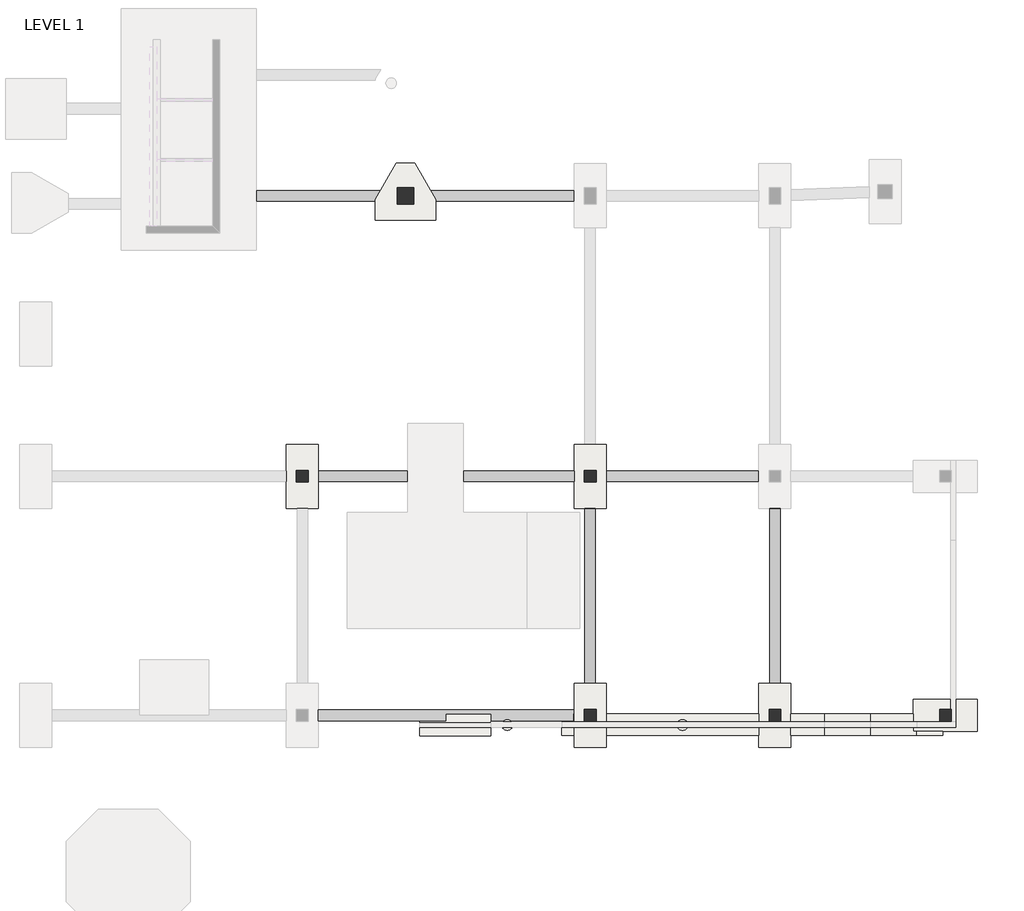
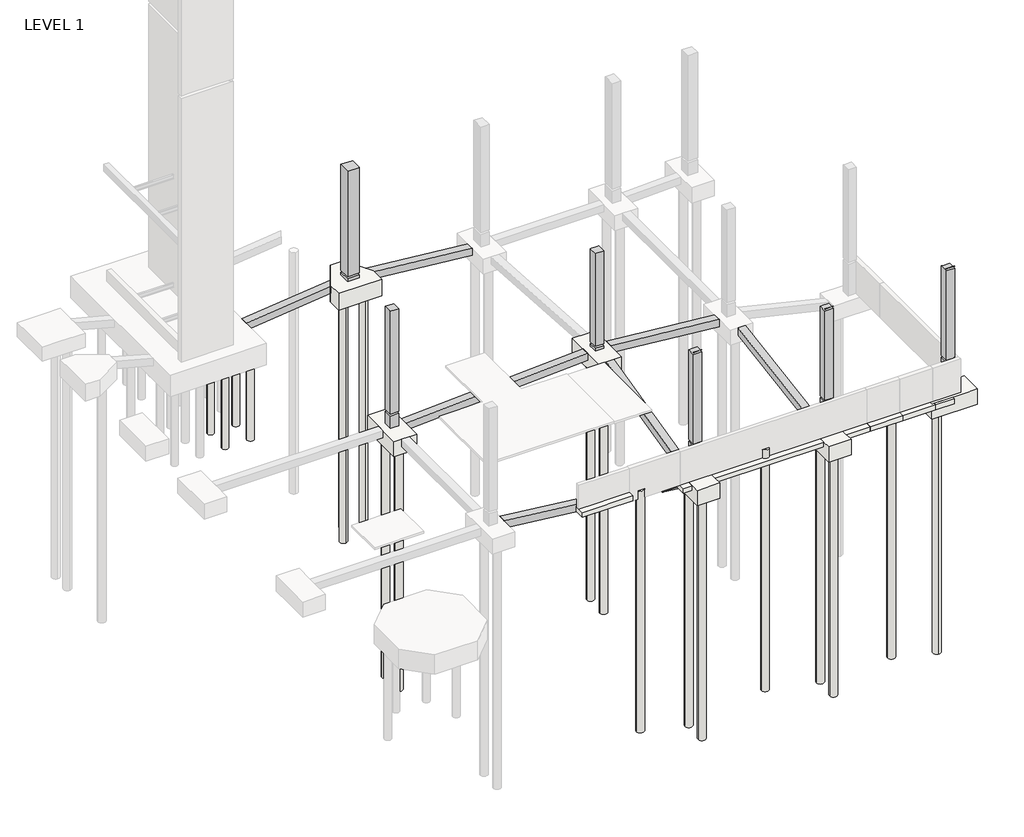
# One storey, part 7 of 20: 25 slabs, 7 beams, 6 columns, 5 footings.
"""IFC4 building model written with IfcOpenShell, lengths in millimetres."""

from ifc_helpers import new_model, si_unit, point, frame, frame_2d, origin, place, context, project, spatial, polyline, circle_curve, ellipse_curve, trimmed, segment, composite_curve, outline, extrude, faceted_brep, element, save
from ifc_brep_helpers import plane_surface, revolved_surface, advanced_brep

model = new_model("IFC4")

# Units and contexts
model_context = context("Model", 3, world=origin())
ifc_project = project(units=[si_unit("LENGTHUNIT", "METRE", prefix="MILLI")], contexts=[model_context])

# Site, building, storey
site = spatial("IfcSite", under=ifc_project)
building = spatial("IfcBuilding", under=site)
storey = spatial("IfcBuildingStorey", under=building, Name="LEVEL 1", Elevation=0.0)

# Beams
placement = place(None, origin())
element("IfcBeam", 1, ObjectType="Concrete-Rectangular Beam", at=placement, inside=storey, context=model_context, shape_type="AdvancedBrep", body=[
    advanced_brep(
    [(36841.0195091, -55707.5107149, -914.4), (36841.0195091, -55250.3107149, -914.4), (36840.0389942, -55250.3107149, -923.2011619), (36840.0389942, -55707.5107149, -923.2011619), (42312.8261679, -55707.5107149, -1524.0), (42312.8261679, -55434.4607149, -1524.0), (44234.6139942, -55434.4607149, -1738.1014718), (44234.6139942, -55707.5107149, -1738.1014718), (44807.188865, -55707.5107149, -1801.8905753), (45078.0891234, -55707.5107149, -1832.0708809), (47784.6328266, -55707.5107149, -2133.6), (47784.6328266, -55421.7607149, -2133.6), (47812.8389942, -55421.7607149, -2136.7423771), (47812.8389942, -55250.3107149, -2136.7423771), (47812.8389942, -55707.5107149, -2596.7709235), (47812.8389942, -55707.5107149, -2438.4), (46391.2919573, -55707.5107149, -2438.4), (36840.0389942, -55707.5107149, -1374.3193098), (36840.0389942, -55250.3107149, -1374.3193098), (47812.8389942, -55250.3107149, -2596.7709235), (46391.2919573, -55421.7607149, -2438.4), (44234.6139942, -55421.7607149, -2198.1300182), (44234.6139942, -55707.5107149, -2198.1300182), (44807.188865, -55707.5107149, -2133.6), (45078.0891234, -55707.5107149, -2133.6), (44234.6139942, -55434.4607149, -1828.8), (44234.6139942, -55707.5107149, -1828.8), (41186.6139942, -55434.4607149, -1828.8), (41186.6139942, -55434.4607149, -1524.0), (41186.6139942, -55707.5107149, -1524.0), (41186.6139942, -55707.5107149, -1828.8), (44234.6139942, -55707.5107149, -2133.6), (47812.8389942, -55421.7607149, -2438.4), (44234.6139942, -55421.7607149, -2133.6), (47282.6139942, -55421.7607149, -2133.6), (47282.6139942, -55421.7607149, -2438.4)],
    [
        (0, 1),
        (1, 2),
        (2, 3),
        (3, 0),
        (0, 4),
        (4, 5),
        (5, 6),
        (6, 7),
        (7, 8),
        (8, 9, ellipse_curve(frame((44942.6389942, -55891.6607149, -1816.9807281), z_axis=(-0.11072244168742305, 0.0, -0.9938513676132741), x_axis=(-0.993851367613274, 0.0, 0.11072244168742296)), 230.0142732, 228.6)),
        (9, 10),
        (10, 11),
        (11, 12),
        (12, 13),
        (13, 1),
        (14, 15),
        (15, 16),
        (16, 14),
        (17, 18),
        (18, 19),
        (19, 14),
        (16, 20),
        (20, 21),
        (21, 22),
        (22, 17),
        (18, 2),
        (13, 19),
        (17, 3),
        (8, 23),
        (23, 24, circle_curve(frame((44942.6389942, -55891.6607149, -2133.6), z_axis=(0.0, 0.0, -1.0), x_axis=(1.0, 0.0, 0.0)), 228.6)),
        (24, 9),
        (6, 25),
        (25, 26),
        (26, 7),
        (27, 28),
        (28, 29),
        (29, 30),
        (30, 27),
        (28, 5),
        (4, 29),
        (25, 27),
        (30, 26),
        (22, 31),
        (31, 23),
        (12, 32),
        (32, 15),
        (10, 24),
        (31, 33),
        (33, 34),
        (34, 11),
        (32, 35),
        (35, 20),
        (33, 21),
    ],
    [
        plane_surface(frame((36815.708359, -55478.9107149, -1141.5944226), z_axis=(-0.9938513676132741, 0.0, 0.11072244168742301), x_axis=(0.11072244168742301, 0.0, 0.9938513676132741))),
        plane_surface(frame((47898.6287987, -55250.3107149, -2146.3), z_axis=(0.11072244168742305, 0.0, 0.9938513676132741), x_axis=(-0.9938513676132741, 0.0, 0.11072244168742305))),
        plane_surface(frame((47898.6287987, -55707.5107149, -2146.3), z_axis=(0.0, -1.0, 0.0), x_axis=(-0.9938513676132741, 0.0, 0.11072244168742305))),
        plane_surface(frame((47848.0064983, -55707.5107149, -2600.6888453), z_axis=(-0.11072244168742305, 0.0, -0.9938513676132741), x_axis=(-0.9938513676132741, 0.0, 0.11072244168742305))),
        plane_surface(frame((47848.0064983, -55250.3107149, -2600.6888453), z_axis=(0.0, 1.0, 0.0), x_axis=(-0.9938513676132741, 0.0, 0.11072244168742305))),
        plane_surface(frame((36840.0389942, -56850.5107149, -914.4), z_axis=(-1.0, 0.0, 0.0), x_axis=(0.0, 0.0, -1.0))),
        revolved_surface(polyline([(45171.2389942, -55891.6607149, -1791.5129861483383), (45171.2389942, -55891.6607149, -2133.6000000000004)]), (44942.6389942, -55891.6607149, -16992.6), (0.0, 0.0, 1.0)),
        plane_surface(frame((44234.6139942, -55891.6607149, -2073.4860144), z_axis=(-1.0, 0.0, 0.0), x_axis=(0.0, -1.0, 0.0))),
        plane_surface(frame((41186.6139942, -55891.6607149, -2073.4860144), z_axis=(1.0, 0.0, 0.0), x_axis=(0.0, -1.0, 0.0))),
        plane_surface(frame((44234.6139942, -55891.6607149, -1524.0), z_axis=(0.0, 0.0, -1.0), x_axis=(-1.0, 0.0, 0.0))),
        plane_surface(frame((44234.6139942, -56348.8607149, -1828.8), z_axis=(0.0, 0.0, 1.0), x_axis=(-1.0, 0.0, 0.0))),
        plane_surface(frame((44234.6139942, -55434.4607149, -1828.8), z_axis=(0.0, -1.0, 0.0), x_axis=(-1.0, 0.0, 0.0))),
        plane_surface(frame((47812.8389942, -54107.3107149, -2133.6), z_axis=(1.0, 0.0, 0.0), x_axis=(0.0, 0.0, -1.0))),
        plane_surface(frame((58541.1639942, -55878.9607149, -2133.6), z_axis=(0.0, 0.0, -1.0), x_axis=(-1.0, 0.0, 0.0))),
        plane_surface(frame((58541.1639942, -56336.1607149, -2438.4), z_axis=(0.0, 0.0, 1.0), x_axis=(-1.0, 0.0, 0.0))),
        plane_surface(frame((58541.1639942, -55421.7607149, -2438.4), z_axis=(0.0, -1.0, 0.0), x_axis=(-1.0, 0.0, 0.0))),
        plane_surface(frame((44234.6139942, -55878.9607149, -2683.0860144), z_axis=(1.0, 0.0, 0.0), x_axis=(0.0, -1.0, 0.0))),
    ],
    [
        (0, [[1, 2, 3, 4]]),
        (1, [[-1, 5, 6, 7, 8, 9, 10, 11, 12, 13, 14, 15]]),
        (2, [[16, 17, 18]]),
        (3, [[19, 20, 21, -18, 22, 23, 24, 25]]),
        (4, [[26, -2, -15, 27, -20]]),
        (5, [[28, -3, -26, -19]]),
        (6, [[-10, 29, 30, 31]]),
        (7, [[32, 33, 34, -8]]),
        (8, [[35, 36, 37, 38]]),
        (9, [[-36, 39, -6, 40]]),
        (10, [[41, -38, 42, -33]]),
        (11, [[-35, -41, -32, -7, -39]]),
        (2, [[-28, -25, 43, 44, -29, -9, -34, -42, -37, -40, -5, -4]]),
        (12, [[-21, -27, -14, 45, 46, -16]]),
        (13, [[-12, 47, -30, -44, 48, 49, 50]]),
        (14, [[-22, -17, -46, 51, 52]]),
        (15, [[-50, -49, 53, -23, -52, -51, -45, -13]]),
        (16, [[-53, -48, -43, -24]]),
        (2, [[-47, -11, -31]]),
    ],
),
])
element("IfcBeam", 2, ObjectType="Concrete-Rectangular Beam", at=placement, inside=storey, context=model_context, shape_type="SweptSolid", body=[
    extrude(outline(polyline([(-304.8, 49190.8586828), (-373.6016457, 49184.4389942), (-763.3869286, 49184.4389942), (-1374.8476474, 55737.6389942), (-915.6617157, 55737.6389942), (-304.8, 49190.8586828)])), frame((0.0, -45445.9107149, 0.0), z_axis=(0.0, 1.0, 0.0), x_axis=(0.0, 0.0, 1.0)), (0.0, 0.0, 1.0), 457.2),
])
element("IfcBeam", 3, ObjectType="Concrete-Rectangular Beam", at=placement, inside=storey, context=model_context, shape_type="SweptSolid", body=[
    extrude(outline(polyline([(-46588.9107149, -315.9548624), (-46588.9107149, -774.749601), (-54082.2691915, -2603.1685819), (-54107.3107149, -2500.5416051), (-54107.3107149, -2138.6651001), (-46591.6325602, -304.8), (-46588.9107149, -315.9548624)])), frame((48270.0389942, 0.0, 0.0), z_axis=(1.0, 0.0, 0.0), x_axis=(0.0, 1.0, 0.0)), (0.0, 0.0, 1.0), 457.2),
])
element("IfcBeam", 4, ObjectType="Concrete-Rectangular Beam", at=placement, inside=storey, context=model_context, shape_type="SweptSolid", body=[
    extrude(outline(polyline([(-46591.6325602, -914.4), (-46588.9107149, -931.1258924), (-46588.9107149, -1377.171261), (-54088.2922004, -2597.5638925), (-54107.3107149, -2480.6940489), (-54107.3107149, -2137.4446282), (-46591.6325602, -914.4)])), frame((56194.8389942, 0.0, 0.0), z_axis=(1.0, 0.0, 0.0), x_axis=(0.0, 1.0, 0.0)), (0.0, 0.0, 1.0), 457.2),
])
element("IfcBeam", 5, ObjectType="Concrete-Rectangular Beam", at=placement, inside=storey, context=model_context, shape_type="SweptSolid", body=[
    extrude(outline(polyline([(-762.5964998, 47812.8389942), (-343.8627437, 47812.8389942), (-304.8, 47810.6465597), (-920.5360297, 36840.0389942), (-1378.455582, 36840.0389942), (-762.5964998, 47812.8389942)])), frame((0.0, -45445.9107149, 0.0), z_axis=(0.0, 1.0, 0.0), x_axis=(0.0, 0.0, 1.0)), (0.0, 0.0, 1.0), 457.2),
])
element("IfcBeam", 6, ObjectType="Concrete-Rectangular Beam", at=placement, inside=storey, context=model_context, shape_type="Brep", body=[
    faceted_brep([(41869.2389942, -33346.5894738, -328.9145781), (41869.2389942, -33406.3107149, -328.9145781), (47812.8389942, -33406.3107149, -915.7315875), (47812.8389942, -32949.1107149, -915.7315875), (41640.0620522, -32949.1107149, -306.2877311), (41869.2389942, -33406.3107149, -788.3375192), (47812.8389942, -33406.3107149, -1375.1545286), (41869.2389942, -33346.5894738, -788.3375192), (41640.0620522, -32949.1107149, -765.7106722), (47812.8389942, -32949.1107149, -1375.1545286)], [[[0, 1, 2, 3, 4]], [[1, 5, 6, 2]], [[5, 7, 8, 9, 6]], [[8, 4, 3, 9]], [[1, 0, 7, 5]], [[0, 4, 8, 7]], [[3, 2, 6, 9]]]),
])
element("IfcBeam", 7, ObjectType="Concrete-Rectangular Beam", at=placement, inside=storey, context=model_context, shape_type="Brep", body=[
    faceted_brep([(39278.4389942, -33346.5894738, -333.0129051), (39507.6159362, -32949.1107149, -306.6988472), (34173.0389942, -32949.1107149, -919.2140739), (34173.0389942, -33406.3107149, -919.2140739), (39278.4389942, -33406.3107149, -333.0129051), (39278.4389942, -33406.3107149, -793.2168065), (34173.0389942, -33406.3107149, -1379.4179753), (39507.6159362, -32949.1107149, -766.9027486), (39278.4389942, -33346.5894738, -793.2168065), (34173.0389942, -32949.1107149, -1379.4179753)], [[[0, 1, 2, 3, 4]], [[5, 4, 3, 6]], [[7, 8, 5, 6, 9]], [[1, 7, 9, 2]], [[1, 0, 8, 7]], [[0, 4, 5, 8]], [[3, 2, 9, 6]]]),
])

# Columns
element("IfcColumn", 8, ObjectType="UC Concrete-Rectangular-Column : 20 x 20", at=placement, inside=storey, context=model_context, shape_type="Brep", body=[
    faceted_brep([(36408.2389942, -44963.3107149, -914.4), (36408.2389942, -45471.3107149, -914.4), (35900.2389942, -45471.3107149, -914.4), (35900.2389942, -44963.3107149, -914.4), (36408.2389942, -45471.3107149, -127.0), (36408.2389942, -44963.3107149, -127.0), (35900.2389942, -44963.3107149, -127.0), (35900.2389942, -45471.3107149, -127.0)], [[[0, 1, 2, 3]], [[4, 5, 6, 7]], [[1, 0, 5, 4]], [[2, 1, 4, 7]], [[3, 2, 7, 6]], [[0, 3, 6, 5]]]),
    faceted_brep([(36408.2389942, -44963.3107149, 6553.2), (36408.2389942, -45471.3107149, 6553.2), (36408.2389942, -45471.3107149, 5537.2), (36408.2389942, -45471.3107149, 4521.2), (36408.2389942, -45471.3107149, 0.0), (36408.2389942, -44963.3107149, 0.0), (36408.2389942, -44963.3107149, 4521.2), (36408.2389942, -44963.3107149, 5537.2), (35900.2389942, -45471.3107149, 6553.2), (35900.2389942, -45471.3107149, 5537.2), (35900.2389942, -45471.3107149, 4521.2), (35900.2389942, -45471.3107149, 0.0), (35900.2389942, -44963.3107149, 6553.2), (35900.2389942, -44963.3107149, 5537.2), (35900.2389942, -44963.3107149, 4521.2), (35900.2389942, -44963.3107149, 0.0)], [[[0, 1, 2, 3, 4, 5, 6, 7]], [[1, 8, 9, 10, 11, 4, 3, 2]], [[8, 12, 13, 14, 15, 11, 10, 9]], [[12, 0, 7, 6, 5, 15, 14, 13]], [[1, 0, 12, 8]], [[5, 4, 11, 15]]]),
])
element("IfcColumn", 9, ObjectType="UC Concrete-Rectangular-Column : 20 x 20", at=placement, inside=storey, context=model_context, shape_type="Brep", body=[
    faceted_brep([(48752.6389942, -55224.9107149, -2133.6), (48752.6389942, -55732.9107149, -2133.6), (48244.6389942, -55732.9107149, -2133.6), (48244.6389942, -55224.9107149, -2133.6), (48752.6389942, -55224.9107149, -127.0), (48244.6389942, -55224.9107149, -127.0), (48244.6389942, -55732.9107149, -127.0), (48752.6389942, -55732.9107149, -127.0)], [[[0, 1, 2, 3]], [[4, 5, 6, 7]], [[0, 3, 5, 4]], [[1, 0, 4, 7]], [[2, 1, 7, 6]], [[3, 2, 6, 5]]]),
    faceted_brep([(48752.6389942, -55732.9107149, 5815.8174434), (48752.6389942, -55695.2378198, 5816.6), (48752.6389942, -55732.9107149, 5816.6), (48244.6389942, -55732.9107149, 5816.6), (48244.6389942, -55732.9107149, 5815.8174434), (48244.6389942, -55695.2378198, 5816.6)], [[[0, 1, 2]], [[2, 3, 4, 0]], [[5, 4, 3]], [[3, 2, 1, 5]], [[1, 0, 4, 5]]]),
    faceted_brep([(48244.6389942, -55224.9107149, 5699.3424283), (48498.6389942, -55224.9107149, 5699.3424283), (48752.6389942, -55224.9107149, 5699.3424283), (48752.6389942, -55224.9107149, 5181.6), (48752.6389942, -55224.9107149, 0.0), (48244.6389942, -55224.9107149, 0.0), (48244.6389942, -55224.9107149, 5181.6), (48752.6389942, -55732.9107149, 5688.7900465), (48244.6389942, -55732.9107149, 5688.7900465), (48498.6389942, -55732.9107149, 5688.7900465), (48752.6389942, -55732.9107149, 5181.6), (48752.6389942, -55732.9107149, 0.0), (48244.6389942, -55732.9107149, 5181.6), (48244.6389942, -55732.9107149, 0.0)], [[[0, 1, 2, 3, 4, 5, 6]], [[7, 2, 1, 0, 8, 9]], [[2, 7, 10, 11, 4, 3]], [[7, 9, 8, 12, 13, 11, 10]], [[8, 0, 6, 5, 13, 12]], [[5, 4, 11, 13]]]),
])
element("IfcColumn", 10, ObjectType="UC Concrete-Rectangular-Column : 20 x 20", at=placement, inside=storey, context=model_context, shape_type="Brep", body=[
    faceted_brep([(48752.6389942, -44963.3107149, -304.8), (48752.6389942, -45471.3107149, -304.8), (48244.6389942, -45471.3107149, -304.8), (48244.6389942, -44963.3107149, -304.8), (48752.6389942, -45471.3107149, -127.0), (48752.6389942, -44963.3107149, -127.0), (48244.6389942, -44963.3107149, -127.0), (48244.6389942, -45471.3107149, -127.0)], [[[0, 1, 2, 3]], [[4, 5, 6, 7]], [[1, 0, 5, 4]], [[2, 1, 4, 7]], [[3, 2, 7, 6]], [[0, 3, 6, 5]]]),
    faceted_brep([(48752.6389942, -44963.3107149, 5912.5005398), (48752.6389942, -45471.3107149, 5901.9481581), (48752.6389942, -45471.3107149, 5283.2), (48752.6389942, -45471.3107149, 0.0), (48752.6389942, -44963.3107149, 0.0), (48752.6389942, -44963.3107149, 5283.2), (48701.8389942, -45471.3107149, 5901.9481581), (48295.4389942, -45471.3107149, 5901.9481581), (48244.6389942, -45471.3107149, 5901.9481581), (48244.6389942, -45471.3107149, 4521.2), (48244.6389942, -45471.3107149, 0.0), (48244.6389942, -44963.3107149, 5912.5005398), (48244.6389942, -44963.3107149, 4521.2), (48244.6389942, -44963.3107149, 0.0), (48295.4389942, -44963.3107149, 5912.5005398), (48701.8389942, -44963.3107149, 5912.5005398)], [[[0, 1, 2, 3, 4, 5]], [[1, 6, 7, 8, 9, 10, 3, 2]], [[8, 11, 12, 13, 10, 9]], [[11, 14, 15, 0, 5, 4, 13, 12]], [[1, 0, 15, 14, 11, 8, 7, 6]], [[4, 3, 10, 13]]]),
])
element("IfcColumn", 11, ObjectType="UC Concrete-Rectangular-Column : 20 x 20", at=placement, inside=storey, context=model_context, shape_type="Brep", body=[
    faceted_brep([(63484.6389942, -55732.9107149, -2133.6), (63484.6389942, -55224.9107149, -2133.6), (63960.8889942, -55224.9107149, -2133.6), (63960.8889942, -55732.9107149, -2133.6), (63484.6389942, -55224.9107149, -127.0), (63484.6389942, -55732.9107149, -127.0), (63960.8889942, -55732.9107149, -127.0), (63960.8889942, -55224.9107149, -127.0)], [[[0, 1, 2, 3]], [[4, 5, 6, 7]], [[1, 4, 7, 2]], [[3, 2, 7, 6]], [[5, 0, 3, 6]], [[1, 0, 5, 4]]]),
    faceted_brep([(63992.6389942, -55732.9107149, 5816.6), (63992.6389942, -55732.9107149, 5815.8174434), (63992.6389942, -55695.2378198, 5816.6), (63484.6389942, -55732.9107149, 5816.6), (63484.6389942, -55732.9107149, 5815.8174434), (63484.6389942, -55695.2378198, 5816.6)], [[[0, 1, 2]], [[0, 3, 4, 1]], [[5, 4, 3]], [[3, 0, 2, 5]], [[4, 5, 2, 1]]]),
    faceted_brep([(63484.6389942, -55224.9107149, 5699.3424283), (63569.8371504, -55224.9107149, 5699.3424283), (63992.6389942, -55224.9107149, 5699.3424283), (63992.6389942, -55224.9107149, 0.0), (63960.8889942, -55224.9107149, 0.0), (63484.6389942, -55224.9107149, 0.0), (63484.6389942, -55224.9107149, 5181.6), (63484.6389942, -55732.9107149, 5688.7900465), (63902.0643657, -55732.9107149, 5688.7900465), (63992.6389942, -55732.9107149, 5688.7900465), (63992.6389942, -55732.9107149, 0.0), (63960.8889942, -55732.9107149, 0.0), (63484.6389942, -55732.9107149, 0.0), (63484.6389942, -55732.9107149, 5181.6)], [[[0, 1, 2, 3, 4, 5, 6]], [[0, 7, 8, 9, 2, 1]], [[3, 10, 11, 12, 5, 4]], [[2, 9, 10, 3]], [[9, 8, 7, 13, 12, 11, 10]], [[7, 0, 6, 5, 12, 13]]]),
])
element("IfcColumn", 12, ObjectType="UC Concrete-Rectangular-Column : 20 x 20", at=placement, inside=storey, context=model_context, shape_type="Brep", body=[
    faceted_brep([(56677.4389942, -55224.9107149, -2133.6), (56677.4389942, -55732.9107149, -2133.6), (56169.4389942, -55732.9107149, -2133.6), (56169.4389942, -55224.9107149, -2133.6), (56677.4389942, -55224.9107149, -127.0), (56169.4389942, -55224.9107149, -127.0), (56169.4389942, -55732.9107149, -127.0), (56677.4389942, -55732.9107149, -127.0)], [[[0, 1, 2, 3]], [[4, 5, 6, 7]], [[0, 3, 5, 4]], [[1, 0, 4, 7]], [[2, 1, 7, 6]], [[3, 2, 6, 5]]]),
    faceted_brep([(56677.4389942, -55732.9107149, 5815.8174434), (56677.4389942, -55695.2378198, 5816.6), (56677.4389942, -55732.9107149, 5816.6), (56169.4389942, -55732.9107149, 5816.6), (56169.4389942, -55732.9107149, 5815.8174434), (56169.4389942, -55695.2378198, 5816.6)], [[[0, 1, 2]], [[2, 3, 4, 0]], [[5, 4, 3]], [[3, 2, 1, 5]], [[1, 0, 4, 5]]]),
    faceted_brep([(56169.4389942, -55224.9107149, 5699.3424283), (56423.4389942, -55224.9107149, 5699.3424283), (56626.6389942, -55224.9107149, 5699.3424283), (56677.4389942, -55224.9107149, 5699.3424283), (56677.4389942, -55224.9107149, 5181.6), (56677.4389942, -55224.9107149, 0.0), (56169.4389942, -55224.9107149, 0.0), (56169.4389942, -55224.9107149, 5181.6), (56677.4389942, -55732.9107149, 5688.7900465), (56169.4389942, -55732.9107149, 5688.7900465), (56423.4389942, -55732.9107149, 5688.7900465), (56677.4389942, -55732.9107149, 5181.6), (56677.4389942, -55732.9107149, 0.0), (56169.4389942, -55732.9107149, 5181.6), (56169.4389942, -55732.9107149, 0.0)], [[[0, 1, 2, 3, 4, 5, 6, 7]], [[8, 3, 2, 1, 0, 9, 10]], [[3, 8, 11, 12, 5, 4]], [[8, 10, 9, 13, 14, 12, 11]], [[9, 0, 7, 6, 14, 13]], [[6, 5, 12, 14]]]),
])
element("IfcColumn", 13, ObjectType="UC Concrete-Rectangular-Column : 28 x 28", at=placement, inside=storey, context=model_context, shape_type="Brep", body=[
    faceted_brep([(40929.4389942, -32822.1107149, -304.8), (40929.4389942, -33533.3107149, -304.8), (40218.2389942, -33533.3107149, -304.8), (40218.2389942, -32822.1107149, -304.8), (40929.4389942, -33533.3107149, -127.0), (40929.4389942, -32822.1107149, -127.0), (40218.2389942, -32822.1107149, -127.0), (40218.2389942, -33533.3107149, -127.0)], [[[0, 1, 2, 3]], [[4, 5, 6, 7]], [[1, 0, 5, 4]], [[2, 1, 4, 7]], [[3, 2, 7, 6]], [[0, 3, 6, 5]]]),
    faceted_brep([(40929.4389942, -32822.1107149, 6731.0), (40929.4389942, -32828.4607149, 6731.0), (40929.4389942, -33533.3107149, 6731.0), (40929.4389942, -33533.3107149, 5232.4), (40929.4389942, -33533.3107149, 0.0), (40929.4389942, -32822.1107149, 0.0), (40878.6389942, -33533.3107149, 6731.0), (40218.2389942, -33533.3107149, 6731.0), (40218.2389942, -33533.3107149, 0.0), (40218.2389942, -32822.1107149, 6731.0), (40218.2389942, -32822.1107149, 0.0)], [[[0, 1, 2, 3, 4, 5]], [[2, 6, 7, 8, 4, 3]], [[7, 9, 10, 8]], [[9, 0, 5, 10]], [[2, 1, 0, 9, 7, 6]], [[5, 4, 8, 10]]]),
])

# Footings
element("IfcFooting", 14, ObjectType="Bearing Footing - 36\" x 12\"", at=placement, inside=storey, context=model_context, shape_type="SolidModel", body=[
    faceted_brep([(58541.1639942, -56336.1607149, -2133.6), (58541.1639942, -56336.1607149, -2438.4), (58541.1639942, -55421.7607149, -2438.4), (58541.1639942, -55421.7607149, -2133.6), (57109.2389942, -55421.7607149, -2133.6), (57109.2389942, -56336.1607149, -2133.6), (57109.2389942, -56336.1607149, -2438.4), (57109.2389942, -55421.7607149, -2438.4)], [[[0, 1, 2, 3]], [[0, 3, 4, 5]], [[1, 0, 5, 6]], [[2, 1, 6, 7]], [[3, 2, 7, 4]], [[5, 4, 7, 6]]]),
    faceted_brep([(47282.6139942, -56336.1607149, -2438.4), (47282.6139942, -56336.1607149, -2133.6), (47282.6139942, -55421.7607149, -2133.6), (47282.6139942, -55421.7607149, -2438.4), (47812.8389942, -56336.1607149, -2133.6), (47812.8389942, -55421.7607149, -2133.6), (47784.6328266, -55421.7607149, -2133.6), (47812.8389942, -56336.1607149, -2438.4), (47812.8389942, -55421.7607149, -2438.4), (47812.8389942, -55707.5107149, -2438.4), (47812.8389942, -55421.7607149, -2136.7423771)], [[[0, 1, 2, 3]], [[2, 1, 4, 5, 6]], [[1, 0, 7, 4]], [[0, 3, 8, 9, 7]], [[3, 2, 6, 5, 10, 8]], [[5, 4, 7, 9, 8, 10]]]),
    advanced_brep(
    [(55737.6389942, -56336.1607149, -2133.6), (55737.6389942, -55421.7607149, -2133.6), (49184.4389942, -55421.7607149, -2133.6), (49184.4389942, -56336.1607149, -2133.6), (52689.6389942, -55891.6607149, -2133.6), (52232.4389942, -55891.6607149, -2133.6), (55737.6389942, -56336.1607149, -2438.4), (49184.4389942, -56336.1607149, -2438.4), (55737.6389942, -55421.7607149, -2438.4), (49184.4389942, -55421.7607149, -2438.4), (52232.4389942, -55891.6607149, -2438.4), (52689.6389942, -55891.6607149, -2438.4)],
    [
        (0, 1),
        (1, 2),
        (2, 3),
        (3, 0),
        (4, 5, circle_curve(frame((52461.0389942, -55891.6607149, -2133.6), z_axis=(0.0, 0.0, -1.0), x_axis=(1.0, 0.0, 0.0)), 228.6)),
        (5, 4, circle_curve(frame((52461.0389942, -55891.6607149, -2133.6), z_axis=(0.0, 0.0, -1.0), x_axis=(1.0, 0.0, 0.0)), 228.6)),
        (6, 0),
        (3, 7),
        (7, 6),
        (8, 6),
        (7, 9),
        (9, 8),
        (10, 11, circle_curve(frame((52461.0389942, -55891.6607149, -2438.4), z_axis=(0.0, 0.0, 1.0), x_axis=(1.0, 0.0, 0.0)), 228.6)),
        (11, 10, circle_curve(frame((52461.0389942, -55891.6607149, -2438.4), z_axis=(0.0, 0.0, 1.0), x_axis=(1.0, 0.0, 0.0)), 228.6)),
        (1, 8),
        (9, 2),
        (10, 5),
        (4, 11),
    ],
    [
        plane_surface(frame((58541.1639942, -55878.9607149, -2133.6), z_axis=(0.0, 0.0, 1.0), x_axis=(-1.0, 0.0, 0.0))),
        plane_surface(frame((58541.1639942, -56336.1607149, -2133.6), z_axis=(0.0, -1.0, 0.0), x_axis=(-1.0, 0.0, 0.0))),
        plane_surface(frame((58541.1639942, -56336.1607149, -2438.4), z_axis=(0.0, 0.0, -1.0), x_axis=(-1.0, 0.0, 0.0))),
        plane_surface(frame((58541.1639942, -55421.7607149, -2438.4), z_axis=(0.0, 1.0, 0.0), x_axis=(-1.0, 0.0, 0.0))),
        plane_surface(frame((55737.6389942, -54107.3107149, -2133.6), z_axis=(1.0, 0.0, 0.0), x_axis=(0.0, 0.0, -1.0))),
        revolved_surface(polyline([(52689.638994199995, -55891.6607149, -2133.6000000000004), (52689.638994199995, -55891.6607149, -2438.3999999999996)]), (52461.0389942, -55891.6607149, -16992.6), (0.0, 0.0, 1.0)),
        plane_surface(frame((49184.4389942, -56850.5107149, -2133.6), z_axis=(-1.0, 0.0, 0.0), x_axis=(0.0, 0.0, -1.0))),
    ],
    [
        (0, [[1, 2, 3, 4], [5, 6]]),
        (1, [[7, -4, 8, 9]]),
        (2, [[10, -9, 11, 12], [13, 14]]),
        (3, [[15, -12, 16, -2]]),
        (4, [[-1, -7, -10, -15]]),
        (5, [[-13, 17, -5, 18]]),
        (5, [[-14, -18, -6, -17]]),
        (6, [[-3, -16, -11, -8]]),
    ],
),
])
element("IfcFooting", 15, ObjectType="Bearing Footing - 36\" x 12\"", at=placement, inside=storey, context=model_context, shape_type="AdvancedBrep", body=[
    advanced_brep(
    [(60522.3639942, -56336.1607149, -2133.6), (60522.3639942, -56336.1607149, -2438.4), (60522.3639942, -55421.7607149, -2438.4), (60522.3639942, -55421.7607149, -2133.6), (58541.1639942, -56336.1607149, -2438.4), (58541.1639942, -56336.1607149, -2133.6), (58541.1639942, -55421.7607149, -2133.6), (58541.1639942, -55421.7607149, -2438.4), (59852.4389942, -55878.9607149, -2438.4), (60309.6389942, -55878.9607149, -2438.4), (60309.6389942, -55878.9607149, -2209.8), (59852.4389942, -55878.9607149, -2209.8)],
    [
        (0, 1),
        (1, 2),
        (2, 3),
        (3, 0),
        (4, 5),
        (5, 6),
        (6, 7),
        (7, 4),
        (5, 0),
        (3, 6),
        (4, 1),
        (7, 2),
        (8, 9, circle_curve(frame((60081.0389942, -55878.9607149, -2438.4), z_axis=(0.0, 0.0, 1.0), x_axis=(1.0, 0.0, 0.0)), 228.6)),
        (9, 8, circle_curve(frame((60081.0389942, -55878.9607149, -2438.4), z_axis=(0.0, 0.0, 1.0), x_axis=(1.0, 0.0, 0.0)), 228.6)),
        (10, 11, circle_curve(frame((60081.0389942, -55878.9607149, -2209.8), z_axis=(0.0, 0.0, -1.0), x_axis=(1.0, 0.0, 0.0)), 228.6)),
        (11, 10, circle_curve(frame((60081.0389942, -55878.9607149, -2209.8), z_axis=(0.0, 0.0, -1.0), x_axis=(1.0, 0.0, 0.0)), 228.6)),
        (10, 9),
        (8, 11),
    ],
    [
        plane_surface(frame((60522.3639942, -55878.9607149, -2683.0860144), z_axis=(1.0, 0.0, 0.0), x_axis=(0.0, -1.0, 0.0))),
        plane_surface(frame((58541.1639942, -55878.9607149, -2683.0860144), z_axis=(-1.0, 0.0, 0.0), x_axis=(0.0, -1.0, 0.0))),
        plane_surface(frame((60522.3639942, -55878.9607149, -2133.6), z_axis=(0.0, 0.0, 1.0), x_axis=(-1.0, 0.0, 0.0))),
        plane_surface(frame((60522.3639942, -56336.1607149, -2133.6), z_axis=(0.0, -1.0, 0.0), x_axis=(-1.0, 0.0, 0.0))),
        plane_surface(frame((60522.3639942, -56336.1607149, -2438.4), z_axis=(0.0, 0.0, -1.0), x_axis=(-1.0, 0.0, 0.0))),
        plane_surface(frame((60522.3639942, -55421.7607149, -2438.4), z_axis=(0.0, 1.0, 0.0), x_axis=(-1.0, 0.0, 0.0))),
        plane_surface(frame((60309.6389942, -55878.9607149, -2209.8), z_axis=(0.0, 0.0, -1.0), x_axis=(0.0, 1.0, 0.0))),
        revolved_surface(polyline([(60309.638994199995, -55878.9607149, -2209.7999999999993), (60309.638994199995, -55878.9607149, -2438.3999999999996)]), (60081.0389942, -55878.9607149, -17602.2), (0.0, 0.0, 1.0)),
    ],
    [
        (0, [[1, 2, 3, 4]]),
        (1, [[5, 6, 7, 8]]),
        (2, [[9, -4, 10, -6]]),
        (3, [[-1, -9, -5, 11]]),
        (4, [[-2, -11, -8, 12], [13, 14]]),
        (5, [[-3, -12, -7, -10]]),
        (6, [[15, 16]]),
        (7, [[-15, 17, -13, 18]]),
        (7, [[-16, -18, -14, -17]]),
    ],
),
])
element("IfcFooting", 16, ObjectType="Bearing Footing - 36\" x 12\"", at=placement, inside=storey, context=model_context, shape_type="SweptSolid", body=[
    extrude(outline(polyline([(60522.3639942, -56336.1607149), (60522.3639942, -55421.7607149), (62367.0389942, -55421.7607149), (62367.0389942, -56164.7107149), (62503.5639942, -56164.7107149), (62503.5639942, -56336.1607149), (60522.3639942, -56336.1607149)])), frame((0.0, 0.0, -2438.4), z_axis=(0.0, 0.0, 1.0), x_axis=(1.0, 0.0, 0.0)), (0.0, 0.0, 1.0), 304.8),
])
element("IfcFooting", 17, ObjectType="Bearing Footing - 36\" x 12\"", at=placement, inside=storey, context=model_context, shape_type="SweptSolid", body=[
    extrude(outline(polyline([(63617.9889942, -56336.1607149), (62503.5639942, -56336.1607149), (62503.5639942, -56164.7107149), (63617.9889942, -56164.7107149), (63617.9889942, -56336.1607149)])), frame((0.0, 0.0, -2438.4), z_axis=(0.0, 0.0, 1.0), x_axis=(1.0, 0.0, 0.0)), (0.0, 0.0, 1.0), 304.8),
])
element("IfcFooting", 18, ObjectType="Bearing Footing - 36\" x 12\"", at=placement, inside=storey, context=model_context, shape_type="Brep", body=[
    faceted_brep([(44234.6139942, -55434.4607149, -1524.0), (44234.6139942, -56348.8607149, -1524.0), (44234.6139942, -56348.8607149, -1828.8), (44234.6139942, -55707.5107149, -1828.8), (44234.6139942, -55434.4607149, -1828.8), (44234.6139942, -55434.4607149, -1738.1014718), (41186.6139942, -56348.8607149, -1524.0), (41186.6139942, -55707.5107149, -1524.0), (41186.6139942, -55434.4607149, -1524.0), (41186.6139942, -55434.4607149, -1828.8), (41186.6139942, -55707.5107149, -1828.8), (41186.6139942, -56348.8607149, -1828.8), (42312.8261679, -55434.4607149, -1524.0)], [[[0, 1, 2, 3, 4, 5]], [[6, 7, 8, 9, 10, 11]], [[0, 12, 8, 7, 6, 1]], [[2, 1, 6, 11]], [[4, 3, 2, 11, 10, 9]], [[0, 5, 4, 9, 8, 12]]]),
])

# Slabs
element("IfcSlab", 19, ObjectType="16\" Diameter", at=placement, inside=storey, context=model_context, shape_type="SweptSolid", body=[
    extrude(outline(composite_curve([segment(trimmed(circle_curve(frame_2d((32039.4389942, -33382.4982149)), 203.2), [point((31836.2389942, -33382.4982149))], [point((32242.6389942, -33382.4982149))], False, "CARTESIAN"), True, "CONTINUOUS"), segment(trimmed(circle_curve(frame_2d((32039.4389942, -33382.4982149)), 203.2), [point((32242.6389942, -33382.4982149))], [point((31836.2389942, -33382.4982149))], False, "CARTESIAN"), True, "CONTINUOUS")], self_intersect=False)), frame((0.0, 0.0, -7162.8), z_axis=(0.0, 0.0, 1.0), x_axis=(1.0, 0.0, 0.0)), (0.0, 0.0, 1.0), 4876.8),
])
element("IfcSlab", 20, ObjectType="16\" Diameter", at=placement, inside=storey, context=model_context, shape_type="SweptSolid", body=[
    extrude(outline(composite_curve([segment(trimmed(circle_curve(frame_2d((33563.4389942, -33382.4982149)), 203.2), [point((33360.2389942, -33382.4982149))], [point((33766.6389942, -33382.4982149))], False, "CARTESIAN"), True, "CONTINUOUS"), segment(trimmed(circle_curve(frame_2d((33563.4389942, -33382.4982149)), 203.2), [point((33766.6389942, -33382.4982149))], [point((33360.2389942, -33382.4982149))], False, "CARTESIAN"), True, "CONTINUOUS")], self_intersect=False)), frame((0.0, 0.0, -7162.8), z_axis=(0.0, 0.0, 1.0), x_axis=(1.0, 0.0, 0.0)), (0.0, 0.0, 1.0), 4876.8),
])
element("IfcSlab", 21, ObjectType="16\" Diameter", at=placement, inside=storey, context=model_context, shape_type="SweptSolid", body=[
    extrude(outline(composite_curve([segment(trimmed(circle_curve(frame_2d((32039.4389942, -34906.4982149)), 203.2), [point((31836.2389942, -34906.4982149))], [point((32242.6389942, -34906.4982149))], False, "CARTESIAN"), True, "CONTINUOUS"), segment(trimmed(circle_curve(frame_2d((32039.4389942, -34906.4982149)), 203.2), [point((32242.6389942, -34906.4982149))], [point((31836.2389942, -34906.4982149))], False, "CARTESIAN"), True, "CONTINUOUS")], self_intersect=False)), frame((0.0, 0.0, -7162.8), z_axis=(0.0, 0.0, 1.0), x_axis=(1.0, 0.0, 0.0)), (0.0, 0.0, 1.0), 4876.8),
])
element("IfcSlab", 22, ObjectType="16\" Diameter", at=placement, inside=storey, context=model_context, shape_type="SweptSolid", body=[
    extrude(outline(composite_curve([segment(trimmed(circle_curve(frame_2d((33563.4389942, -34906.4982149)), 203.2), [point((33360.2389942, -34906.4982149))], [point((33766.6389942, -34906.4982149))], False, "CARTESIAN"), True, "CONTINUOUS"), segment(trimmed(circle_curve(frame_2d((33563.4389942, -34906.4982149)), 203.2), [point((33766.6389942, -34906.4982149))], [point((33360.2389942, -34906.4982149))], False, "CARTESIAN"), True, "CONTINUOUS")], self_intersect=False)), frame((0.0, 0.0, -7162.8), z_axis=(0.0, 0.0, 1.0), x_axis=(1.0, 0.0, 0.0)), (0.0, 0.0, 1.0), 4876.8),
])
element("IfcSlab", 23, ObjectType="18\" Diameter", at=placement, inside=storey, context=model_context, shape_type="SweptSolid", body=[
    extrude(outline(composite_curve([segment(trimmed(circle_curve(frame_2d((48498.6389942, -54793.1107149)), 228.6), [point((48727.2389942, -54793.1107149))], [point((48270.0389942, -54793.1107149))], False, "CARTESIAN"), True, "CONTINUOUS"), segment(trimmed(circle_curve(frame_2d((48498.6389942, -54793.1107149)), 228.6), [point((48270.0389942, -54793.1107149))], [point((48727.2389942, -54793.1107149))], False, "CARTESIAN"), True, "CONTINUOUS")], self_intersect=False)), frame((0.0, 0.0, -18567.4), z_axis=(0.0, 0.0, 1.0), x_axis=(1.0, 0.0, 0.0)), (0.0, 0.0, 1.0), 15392.4),
])
element("IfcSlab", 24, ObjectType="18\" Diameter", at=placement, inside=storey, context=model_context, shape_type="SweptSolid", body=[
    extrude(outline(composite_curve([segment(trimmed(circle_curve(frame_2d((48498.6389942, -56164.7107149)), 228.6), [point((48727.2389942, -56164.7107149))], [point((48270.0389942, -56164.7107149))], False, "CARTESIAN"), True, "CONTINUOUS"), segment(trimmed(circle_curve(frame_2d((48498.6389942, -56164.7107149)), 228.6), [point((48270.0389942, -56164.7107149))], [point((48727.2389942, -56164.7107149))], False, "CARTESIAN"), True, "CONTINUOUS")], self_intersect=False)), frame((0.0, 0.0, -18567.4), z_axis=(0.0, 0.0, 1.0), x_axis=(1.0, 0.0, 0.0)), (0.0, 0.0, 1.0), 15392.4),
])
element("IfcSlab", 25, ObjectType="18\" Diameter", at=placement, inside=storey, context=model_context, shape_type="SweptSolid", body=[
    extrude(outline(composite_curve([segment(trimmed(circle_curve(frame_2d((48498.6389942, -44531.5107149)), 228.6), [point((48727.2389942, -44531.5107149))], [point((48270.0389942, -44531.5107149))], False, "CARTESIAN"), True, "CONTINUOUS"), segment(trimmed(circle_curve(frame_2d((48498.6389942, -44531.5107149)), 228.6), [point((48270.0389942, -44531.5107149))], [point((48727.2389942, -44531.5107149))], False, "CARTESIAN"), True, "CONTINUOUS")], self_intersect=False)), frame((0.0, 0.0, -16738.6), z_axis=(0.0, 0.0, 1.0), x_axis=(1.0, 0.0, 0.0)), (0.0, 0.0, 1.0), 15392.4),
])
element("IfcSlab", 26, ObjectType="18\" Diameter", at=placement, inside=storey, context=model_context, shape_type="SweptSolid", body=[
    extrude(outline(composite_curve([segment(trimmed(circle_curve(frame_2d((48498.6389942, -45903.1107149)), 228.6), [point((48727.2389942, -45903.1107149))], [point((48270.0389942, -45903.1107149))], False, "CARTESIAN"), True, "CONTINUOUS"), segment(trimmed(circle_curve(frame_2d((48498.6389942, -45903.1107149)), 228.6), [point((48270.0389942, -45903.1107149))], [point((48727.2389942, -45903.1107149))], False, "CARTESIAN"), True, "CONTINUOUS")], self_intersect=False)), frame((0.0, 0.0, -16738.6), z_axis=(0.0, 0.0, 1.0), x_axis=(1.0, 0.0, 0.0)), (0.0, 0.0, 1.0), 15392.4),
])
element("IfcSlab", 27, ObjectType="18\" Diameter", at=placement, inside=storey, context=model_context, shape_type="SweptSolid", body=[
    extrude(outline(composite_curve([segment(trimmed(circle_curve(frame_2d((36154.2389942, -44531.5107149)), 228.6), [point((36382.8389942, -44531.5107149))], [point((35925.6389942, -44531.5107149))], False, "CARTESIAN"), True, "CONTINUOUS"), segment(trimmed(circle_curve(frame_2d((36154.2389942, -44531.5107149)), 228.6), [point((35925.6389942, -44531.5107149))], [point((36382.8389942, -44531.5107149))], False, "CARTESIAN"), True, "CONTINUOUS")], self_intersect=False)), frame((0.0, 0.0, -17348.2), z_axis=(0.0, 0.0, 1.0), x_axis=(1.0, 0.0, 0.0)), (0.0, 0.0, 1.0), 15392.4),
])
element("IfcSlab", 28, ObjectType="18\" Diameter", at=placement, inside=storey, context=model_context, shape_type="SweptSolid", body=[
    extrude(outline(composite_curve([segment(trimmed(circle_curve(frame_2d((36154.2389942, -45903.1107149)), 228.6), [point((36382.8389942, -45903.1107149))], [point((35925.6389942, -45903.1107149))], False, "CARTESIAN"), True, "CONTINUOUS"), segment(trimmed(circle_curve(frame_2d((36154.2389942, -45903.1107149)), 228.6), [point((35925.6389942, -45903.1107149))], [point((36382.8389942, -45903.1107149))], False, "CARTESIAN"), True, "CONTINUOUS")], self_intersect=False)), frame((0.0, 0.0, -17348.2), z_axis=(0.0, 0.0, 1.0), x_axis=(1.0, 0.0, 0.0)), (0.0, 0.0, 1.0), 15392.4),
])
element("IfcSlab", 29, ObjectType="18\" Diameter", at=placement, inside=storey, context=model_context, shape_type="SweptSolid", body=[
    extrude(outline(composite_curve([segment(trimmed(circle_curve(frame_2d((40573.8389942, -32472.8607149)), 228.6), [point((40573.8389942, -32701.4607149))], [point((40573.8389942, -32244.2607149))], False, "CARTESIAN"), True, "CONTINUOUS"), segment(trimmed(circle_curve(frame_2d((40573.8389942, -32472.8607149)), 228.6), [point((40573.8389942, -32244.2607149))], [point((40573.8389942, -32701.4607149))], False, "CARTESIAN"), True, "CONTINUOUS")], self_intersect=False)), frame((0.0, 0.0, -16738.6), z_axis=(0.0, 0.0, 1.0), x_axis=(1.0, 0.0, 0.0)), (0.0, 0.0, 1.0), 15367.0),
])
element("IfcSlab", 30, ObjectType="18\" Diameter", at=placement, inside=storey, context=model_context, shape_type="SweptSolid", body=[
    extrude(outline(composite_curve([segment(trimmed(circle_curve(frame_2d((63052.8389942, -55478.9107149)), 228.6), [point((63052.8389942, -55250.3107149))], [point((63052.8389942, -55707.5107149))], False, "CARTESIAN"), True, "CONTINUOUS"), segment(trimmed(circle_curve(frame_2d((63052.8389942, -55478.9107149)), 228.6), [point((63052.8389942, -55707.5107149))], [point((63052.8389942, -55250.3107149))], False, "CARTESIAN"), True, "CONTINUOUS")], self_intersect=False)), frame((0.0, 0.0, -18567.4), z_axis=(0.0, 0.0, 1.0), x_axis=(1.0, 0.0, 0.0)), (0.0, 0.0, 1.0), 15392.4),
])
element("IfcSlab", 31, ObjectType="18\" Diameter", at=placement, inside=storey, context=model_context, shape_type="SweptSolid", body=[
    extrude(outline(composite_curve([segment(trimmed(circle_curve(frame_2d((56423.4389942, -54793.1107149)), 228.6), [point((56652.0389942, -54793.1107149))], [point((56194.8389942, -54793.1107149))], False, "CARTESIAN"), True, "CONTINUOUS"), segment(trimmed(circle_curve(frame_2d((56423.4389942, -54793.1107149)), 228.6), [point((56194.8389942, -54793.1107149))], [point((56652.0389942, -54793.1107149))], False, "CARTESIAN"), True, "CONTINUOUS")], self_intersect=False)), frame((0.0, 0.0, -18567.4), z_axis=(0.0, 0.0, 1.0), x_axis=(1.0, 0.0, 0.0)), (0.0, 0.0, 1.0), 15392.4),
])
element("IfcSlab", 32, ObjectType="18\" Diameter", at=placement, inside=storey, context=model_context, shape_type="SweptSolid", body=[
    extrude(outline(composite_curve([segment(trimmed(circle_curve(frame_2d((56423.4389942, -56164.7107149)), 228.6), [point((56652.0389942, -56164.7107149))], [point((56194.8389942, -56164.7107149))], False, "CARTESIAN"), True, "CONTINUOUS"), segment(trimmed(circle_curve(frame_2d((56423.4389942, -56164.7107149)), 228.6), [point((56194.8389942, -56164.7107149))], [point((56652.0389942, -56164.7107149))], False, "CARTESIAN"), True, "CONTINUOUS")], self_intersect=False)), frame((0.0, 0.0, -18567.4), z_axis=(0.0, 0.0, 1.0), x_axis=(1.0, 0.0, 0.0)), (0.0, 0.0, 1.0), 15392.4),
])
element("IfcSlab", 33, ObjectType="18\" Diameter", at=placement, inside=storey, context=model_context, shape_type="SweptSolid", body=[
    extrude(outline(composite_curve([segment(trimmed(circle_curve(frame_2d((41183.4389942, -33530.1357149)), 228.6), [point((41183.4389942, -33758.7357149))], [point((41183.4389942, -33301.5357149))], False, "CARTESIAN"), True, "CONTINUOUS"), segment(trimmed(circle_curve(frame_2d((41183.4389942, -33530.1357149)), 228.6), [point((41183.4389942, -33301.5357149))], [point((41183.4389942, -33758.7357149))], False, "CARTESIAN"), True, "CONTINUOUS")], self_intersect=False)), frame((0.0, 0.0, -16738.6), z_axis=(0.0, 0.0, 1.0), x_axis=(1.0, 0.0, 0.0)), (0.0, 0.0, 1.0), 15367.0),
])
element("IfcSlab", 34, ObjectType="18\" Diameter", at=placement, inside=storey, context=model_context, shape_type="SweptSolid", body=[
    extrude(outline(composite_curve([segment(trimmed(circle_curve(frame_2d((39964.2389942, -33530.1357149)), 228.6), [point((39964.2389942, -33758.7357149))], [point((39964.2389942, -33301.5357149))], False, "CARTESIAN"), True, "CONTINUOUS"), segment(trimmed(circle_curve(frame_2d((39964.2389942, -33530.1357149)), 228.6), [point((39964.2389942, -33301.5357149))], [point((39964.2389942, -33758.7357149))], False, "CARTESIAN"), True, "CONTINUOUS")], self_intersect=False)), frame((0.0, 0.0, -16738.6), z_axis=(0.0, 0.0, 1.0), x_axis=(1.0, 0.0, 0.0)), (0.0, 0.0, 1.0), 15367.0),
])
element("IfcSlab", 35, ObjectType="18\" Diameter", at=placement, inside=storey, context=model_context, shape_type="SweptSolid", body=[
    extrude(outline(composite_curve([segment(trimmed(circle_curve(frame_2d((44942.6389942, -55891.6607149)), 228.6), [point((44714.0389942, -55891.6607149))], [point((45171.2389942, -55891.6607149))], False, "CARTESIAN"), True, "CONTINUOUS"), segment(trimmed(circle_curve(frame_2d((44942.6389942, -55891.6607149)), 228.6), [point((45171.2389942, -55891.6607149))], [point((44714.0389942, -55891.6607149))], False, "CARTESIAN"), True, "CONTINUOUS")], self_intersect=False)), frame((0.0, 0.0, -16992.6), z_axis=(0.0, 0.0, 1.0), x_axis=(1.0, 0.0, 0.0)), (0.0, 0.0, 1.0), 15392.4),
])
element("IfcSlab", 36, ObjectType="18\" Diameter", at=placement, inside=storey, context=model_context, shape_type="SweptSolid", body=[
    extrude(outline(composite_curve([segment(trimmed(circle_curve(frame_2d((52461.0389942, -55891.6607149)), 228.6), [point((52232.4389942, -55891.6607149))], [point((52689.6389942, -55891.6607149))], False, "CARTESIAN"), True, "CONTINUOUS"), segment(trimmed(circle_curve(frame_2d((52461.0389942, -55891.6607149)), 228.6), [point((52689.6389942, -55891.6607149))], [point((52232.4389942, -55891.6607149))], False, "CARTESIAN"), True, "CONTINUOUS")], self_intersect=False)), frame((0.0, 0.0, -16992.6), z_axis=(0.0, 0.0, 1.0), x_axis=(1.0, 0.0, 0.0)), (0.0, 0.0, 1.0), 15392.4),
])
element("IfcSlab", 37, ObjectType="18\" Diameter", at=placement, inside=storey, context=model_context, shape_type="SweptSolid", body=[
    extrude(outline(composite_curve([segment(trimmed(circle_curve(frame_2d((60081.0389942, -55878.9607149)), 228.6), [point((59852.4389942, -55878.9607149))], [point((60309.6389942, -55878.9607149))], False, "CARTESIAN"), True, "CONTINUOUS"), segment(trimmed(circle_curve(frame_2d((60081.0389942, -55878.9607149)), 228.6), [point((60309.6389942, -55878.9607149))], [point((59852.4389942, -55878.9607149))], False, "CARTESIAN"), True, "CONTINUOUS")], self_intersect=False)), frame((0.0, 0.0, -17602.2), z_axis=(0.0, 0.0, 1.0), x_axis=(1.0, 0.0, 0.0)), (0.0, 0.0, 1.0), 15392.4),
])
element("IfcSlab", 38, ObjectType="UC Pile Cap-2 Pile : P2", at=placement, inside=storey, context=model_context, shape_type="Brep", body=[
    faceted_brep([(49184.4389942, -54107.3107149, -2133.6), (47812.8389942, -54107.3107149, -2133.6), (47812.8389942, -55421.7607149, -2133.6), (47812.8389942, -56336.1607149, -2133.6), (47812.8389942, -56850.5107149, -2133.6), (49184.4389942, -56850.5107149, -2133.6), (49184.4389942, -56336.1607149, -2133.6), (49184.4389942, -55421.7607149, -2133.6), (49184.4389942, -54107.3107149, -3098.8), (49184.4389942, -56850.5107149, -3098.8), (47812.8389942, -56850.5107149, -3098.8), (47812.8389942, -54107.3107149, -3098.8)], [[[0, 1, 2, 3, 4, 5, 6, 7]], [[8, 9, 10, 11]], [[1, 0, 8, 11]], [[4, 3, 2, 1, 11, 10]], [[5, 4, 10, 9]], [[0, 7, 6, 5, 9, 8]]]),
])
element("IfcSlab", 39, ObjectType="UC Pile Cap-2 Pile : P2", at=placement, inside=storey, context=model_context, shape_type="SweptSolid", body=[
    extrude(outline(polyline([(49184.4389942, -43845.7107149), (49184.4389942, -46588.9107149), (47812.8389942, -46588.9107149), (47812.8389942, -43845.7107149), (49184.4389942, -43845.7107149)])), frame((0.0, 0.0, -1270.0), z_axis=(0.0, 0.0, 1.0), x_axis=(1.0, 0.0, 0.0)), (0.0, 0.0, 1.0), 965.2),
])
element("IfcSlab", 40, ObjectType="UC Pile Cap-2 Pile : P2", at=placement, inside=storey, context=model_context, shape_type="Brep", body=[
    faceted_brep([(36840.0389942, -43845.7107149, -914.4), (35468.4389942, -43845.7107149, -914.4), (35468.4389942, -44988.7107149, -914.4), (35468.4389942, -45445.9107149, -914.4), (35468.4389942, -46588.9107149, -914.4), (35925.6389942, -46588.9107149, -914.4), (36382.8389942, -46588.9107149, -914.4), (36840.0389942, -46588.9107149, -914.4), (36840.0389942, -43845.7107149, -1879.6), (36840.0389942, -46588.9107149, -1879.6), (35468.4389942, -46588.9107149, -1879.6), (35468.4389942, -43845.7107149, -1879.6)], [[[0, 1, 2, 3, 4, 5, 6, 7]], [[8, 9, 10, 11]], [[1, 0, 8, 11]], [[4, 3, 2, 1, 11, 10]], [[7, 6, 5, 4, 10, 9]], [[0, 7, 9, 8]]]),
])
element("IfcSlab", 41, ObjectType="UC Pile Cap-2 Pile : P2", at=placement, inside=storey, context=model_context, shape_type="Brep", body=[
    faceted_brep([(62367.0389942, -54793.1107149, -2133.6), (62367.0389942, -55421.7607149, -2133.6), (62367.0389942, -56164.7107149, -2133.6), (62503.5639942, -56164.7107149, -2133.6), (63617.9889942, -56164.7107149, -2133.6), (64532.3889942, -56164.7107149, -2133.6), (65110.2389942, -56164.7107149, -2133.6), (65110.2389942, -54793.1107149, -2133.6), (64532.3889942, -54793.1107149, -2133.6), (63617.9889942, -54793.1107149, -2133.6), (62367.0389942, -54793.1107149, -3098.8), (65110.2389942, -54793.1107149, -3098.8), (65110.2389942, -56164.7107149, -3098.8), (62367.0389942, -56164.7107149, -3098.8), (62367.0389942, -56164.7107149, -2438.4)], [[[0, 1, 2, 3, 4, 5, 6, 7, 8, 9]], [[10, 11, 12, 13]], [[2, 1, 0, 10, 13, 14]], [[6, 5, 4, 3, 2, 14, 13, 12]], [[7, 6, 12, 11]], [[0, 9, 8, 7, 11, 10]]]),
])
element("IfcSlab", 42, ObjectType="UC Pile Cap-2 Pile : P2", at=placement, inside=storey, context=model_context, shape_type="Brep", body=[
    faceted_brep([(57109.2389942, -54107.3107149, -2133.6), (55737.6389942, -54107.3107149, -2133.6), (55737.6389942, -55421.7607149, -2133.6), (55737.6389942, -56336.1607149, -2133.6), (55737.6389942, -56850.5107149, -2133.6), (57109.2389942, -56850.5107149, -2133.6), (57109.2389942, -56336.1607149, -2133.6), (57109.2389942, -55421.7607149, -2133.6), (57109.2389942, -54107.3107149, -3098.8), (57109.2389942, -56850.5107149, -3098.8), (55737.6389942, -56850.5107149, -3098.8), (55737.6389942, -54107.3107149, -3098.8)], [[[0, 1, 2, 3, 4, 5, 6, 7]], [[8, 9, 10, 11]], [[1, 0, 8, 11]], [[4, 3, 2, 1, 11, 10]], [[5, 4, 10, 9]], [[0, 7, 6, 5, 9, 8]]]),
])
element("IfcSlab", 43, ObjectType="UC Pile Cap-3 Pile : P3", at=placement, inside=storey, context=model_context, shape_type="Brep", body=[
    faceted_brep([(41869.2389942, -34215.9357149, -304.8), (41869.2389942, -33346.5894738, -304.8), (40970.0512413, -31787.0607149, -304.8), (40802.4389942, -31787.0607149, -304.8), (40345.2389942, -31787.0607149, -304.8), (40177.626747, -31787.0607149, -304.8), (39278.4389942, -33346.5894738, -304.8), (39278.4389942, -34215.9357149, -304.8), (41869.2389942, -34215.9357149, -1371.6), (39278.4389942, -34215.9357149, -1371.6), (39278.4389942, -33346.5894738, -1371.6), (40177.626747, -31787.0607149, -1371.6), (40970.0512413, -31787.0607149, -1371.6), (41869.2389942, -33346.5894738, -1371.6), (41869.2389942, -33346.5894738, -788.3375192), (41869.2389942, -33346.5894738, -328.9145781), (39278.4389942, -33346.5894738, -793.2168065), (39278.4389942, -33346.5894738, -333.0129051)], [[[0, 1, 2, 3, 4, 5, 6, 7]], [[8, 9, 10, 11, 12, 13]], [[1, 0, 8, 13, 14, 15]], [[2, 1, 15, 14, 13, 12]], [[5, 4, 3, 2, 12, 11]], [[6, 5, 11, 10, 16, 17]], [[7, 6, 17, 16, 10, 9]], [[0, 7, 9, 8]]]),
])

save(model, "model.ifc")
